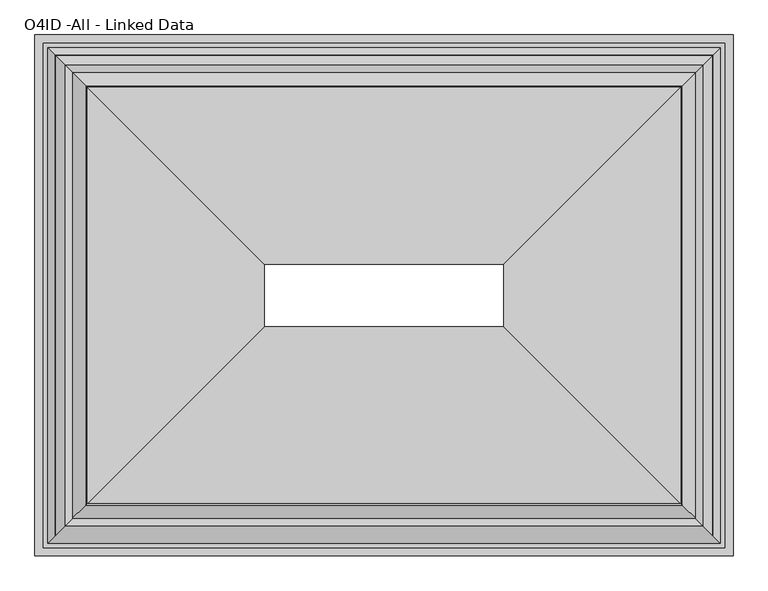
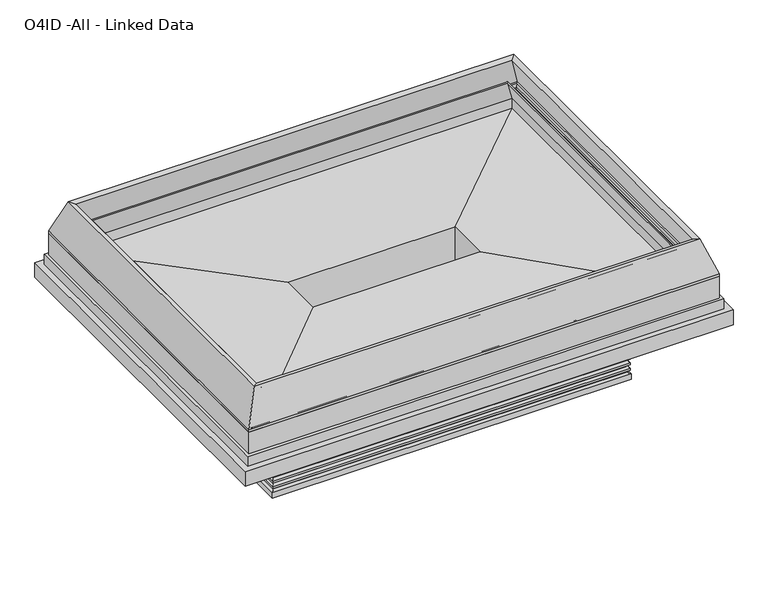
"""IFC4 building model written with IfcOpenShell, lengths in millimetres: proxy geometry, O4ID -All - Linked Data."""

from ifc_helpers import new_model, si_unit, point, frame, frame_2d, origin, origin_with_axes, place, context, project, spatial, polyline, circle_curve, ellipse_curve, trimmed, segment, composite_curve, outline, extrude, faceted_brep, source, transform, mapped, element, save
from ifc_brep_helpers import plane_surface, cylinder_surface, revolved_surface, advanced_brep


def o4id_all_linked_data_88e93f70(model_context):
    return source(origin(), model_context, "Body", "SolidModel", [
        advanced_brep(
        [(407.5864212, -2019.5725061, 52.2515752), (404.0973241, -2023.0616032, 41.0863151), (2275.6026759, -2023.0616032, 41.0863151), (2272.1135788, -2019.5725061, 52.2515752), (2282.7507741, -2030.2097014, 50.0937524), (396.9492259, -2030.2097014, 50.0937524), (394.9553259, -2032.2036014, 62.7937524), (394.9553259, -2032.2036014, 50.0937524), (2284.7446741, -2032.2036014, 50.0937524), (2284.7446741, -2032.2036014, 62.7937524), (2275.6026759, -2023.0616032, 72.0584982), (404.0973241, -2023.0616032, 72.0584982), (2272.1135788, -2019.5725061, 83.2237583), (407.5864212, -2019.5725061, 83.2237583), (2282.7507741, -2030.2097014, 81.0659355), (396.9492259, -2030.2097014, 81.0659355), (394.9553259, -2032.2036014, 93.7659355), (394.9553259, -2032.2036014, 81.0659355), (2284.7446741, -2032.2036014, 81.0659355), (2284.7446741, -2032.2036014, 93.7659355), (2275.6026759, -2023.0616032, 103.0306813), (404.0973241, -2023.0616032, 103.0306813), (2272.1135788, -2019.5725061, 114.0694894), (407.5864212, -2019.5725061, 114.0694894), (2282.7507741, -2030.2097014, 112.0383055), (396.9492259, -2030.2097014, 112.0383055), (394.9553259, -2032.2036014, 124.7383055), (394.9553259, -2032.2036014, 112.0383055), (2284.7446741, -2032.2036014, 112.0383055), (2284.7446741, -2032.2036014, 124.7383055), (2272.1135788, -2019.5725061, 137.4381186), (407.5864212, -2019.5725061, 137.4381186), (2272.1135788, -2019.5725061, 146.05), (407.5864212, -2019.5725061, 146.05), (417.6946779, -2009.4642494, 0.0), (417.6946779, -2009.4642494, 146.05), (2262.0053221, -2009.4642494, 146.05), (2262.0053221, -2009.4642494, 0.0), (392.0670212, -2035.0919061, 31.4790022), (392.0670212, -2035.0919061, 0.0), (2287.6329788, -2035.0919061, 0.0), (2287.6329788, -2035.0919061, 31.4790022), (2275.6026759, -805.6062514, 41.0863151), (2272.1135788, -809.0953485, 52.2515752), (2282.7507741, -798.4581532, 50.0937524), (2284.7446741, -796.4642532, 50.0937524), (2284.7446741, -796.4642532, 62.7937524), (2275.6026759, -805.6062514, 72.0584982), (2272.1135788, -809.0953485, 83.2237583), (2282.7507741, -798.4581532, 81.0659355), (2284.7446741, -796.4642532, 81.0659355), (2284.7446741, -796.4642532, 93.7659355), (2275.6026759, -805.6062514, 103.0306813), (2272.1135788, -809.0953485, 114.0694894), (2282.7507741, -798.4581532, 112.0383055), (2284.7446741, -796.4642532, 112.0383055), (2284.7446741, -796.4642532, 124.7383055), (2272.1135788, -809.0953485, 137.4381186), (2272.1135788, -809.0953485, 146.05), (2262.0053221, -819.2036052, 146.05), (2262.0053221, -819.2036052, 0.0), (2287.6329788, -793.5759485, 0.0), (2287.6329788, -793.5759485, 31.4790022), (404.0973241, -805.6062514, 41.0863151), (407.5864212, -809.0953485, 52.2515752), (396.9492259, -798.4581532, 50.0937524), (394.9553259, -796.4642532, 50.0937524), (394.9553259, -796.4642532, 62.7937524), (404.0973241, -805.6062514, 72.0584982), (407.5864212, -809.0953485, 83.2237583), (396.9492259, -798.4581532, 81.0659355), (394.9553259, -796.4642532, 81.0659355), (394.9553259, -796.4642532, 93.7659355), (404.0973241, -805.6062514, 103.0306813), (407.5864212, -809.0953485, 114.0694894), (396.9492259, -798.4581532, 112.0383055), (394.9553259, -796.4642532, 112.0383055), (394.9553259, -796.4642532, 124.7383055), (407.5864212, -809.0953485, 137.4381186), (407.5864212, -809.0953485, 146.05), (417.6946779, -819.2036052, 146.05), (417.6946779, -819.2036052, 0.0), (392.0670212, -793.5759485, 0.0), (392.0670212, -793.5759485, 31.4790022)],
        [
            (0, 1),
            (1, 2),
            (2, 3),
            (3, 0),
            (3, 4),
            (4, 5),
            (5, 0),
            (6, 7),
            (7, 8),
            (8, 9),
            (9, 6),
            (9, 10, ellipse_curve(frame((2287.9365131, -2035.3954404, 75.0861144), z_axis=(0.7071067811865475, 0.7071067811865475, 0.0), x_axis=(0.7071067811865476, -0.7071067811865474, 0.0)), 17.9605122, 12.7)),
            (10, 11),
            (11, 6, ellipse_curve(frame((391.7634869, -2035.3954404, 75.0861144), z_axis=(-0.7071067811865475, 0.7071067811865475, 0.0), x_axis=(0.7071067811865476, 0.7071067811865474, 0.0)), 17.9605122, 12.7)),
            (10, 12),
            (12, 13),
            (13, 11),
            (12, 14),
            (14, 15),
            (15, 13),
            (16, 17),
            (17, 18),
            (18, 19),
            (19, 16),
            (19, 20, ellipse_curve(frame((2287.9365131, -2035.3954404, 106.0582975), z_axis=(0.7071067811865475, 0.7071067811865475, 0.0), x_axis=(0.7071067811865476, -0.7071067811865474, 0.0)), 17.9605122, 12.7)),
            (20, 21),
            (21, 16, ellipse_curve(frame((391.7634869, -2035.3954404, 106.0582975), z_axis=(-0.7071067811865475, 0.7071067811865475, 0.0), x_axis=(0.7071067811865476, 0.7071067811865474, 0.0)), 17.9605122, 12.7)),
            (20, 22),
            (22, 23),
            (23, 21),
            (22, 24),
            (24, 25),
            (25, 23),
            (26, 27),
            (27, 28),
            (28, 29),
            (29, 26),
            (29, 30, ellipse_curve(frame((2284.8135788, -2032.2725061, 137.4381186), z_axis=(0.7071067811865475, 0.7071067811865475, 0.0), x_axis=(0.7071067811865476, -0.7071067811865474, 0.0)), 17.9605122, 12.7)),
            (30, 31),
            (31, 26, ellipse_curve(frame((394.8864212, -2032.2725061, 137.4381186), z_axis=(-0.7071067811865475, 0.7071067811865475, 0.0), x_axis=(0.7071067811865476, 0.7071067811865474, 0.0)), 17.9605122, 12.7)),
            (30, 32),
            (32, 33),
            (33, 31),
            (34, 35),
            (35, 36),
            (36, 37),
            (37, 34),
            (38, 39),
            (39, 40),
            (40, 41),
            (41, 38),
            (1, 38, ellipse_curve(frame((393.1207685, -2034.0381588, 42.4953422), z_axis=(-0.7071067811865475, 0.7071067811865475, 0.0), x_axis=(0.7071067811865476, 0.7071067811865474, 0.0)), 15.6505674, 11.0666223)),
            (41, 2, ellipse_curve(frame((2286.5792315, -2034.0381588, 42.4953422), z_axis=(0.7071067811865475, 0.7071067811865475, 0.0), x_axis=(0.7071067811865476, -0.7071067811865474, 0.0)), 15.6505674, 11.0666223)),
            (2, 42),
            (42, 43),
            (43, 3),
            (43, 44),
            (44, 4),
            (8, 45),
            (45, 46),
            (46, 9),
            (46, 47, ellipse_curve(frame((2287.9365131, -793.2724142, 75.0861144), z_axis=(-0.7071067811865475, 0.7071067811865475, 0.0), x_axis=(0.7071067811865474, 0.7071067811865476, 0.0)), 17.9605122, 12.7)),
            (47, 10),
            (47, 48),
            (48, 12),
            (48, 49),
            (49, 14),
            (18, 50),
            (50, 51),
            (51, 19),
            (51, 52, ellipse_curve(frame((2287.9365131, -793.2724142, 106.0582975), z_axis=(-0.7071067811865475, 0.7071067811865475, 0.0), x_axis=(0.7071067811865474, 0.7071067811865476, 0.0)), 17.9605122, 12.7)),
            (52, 20),
            (52, 53),
            (53, 22),
            (53, 54),
            (54, 24),
            (28, 55),
            (55, 56),
            (56, 29),
            (56, 57, ellipse_curve(frame((2284.8135788, -796.3953485, 137.4381186), z_axis=(-0.7071067811865475, 0.7071067811865475, 0.0), x_axis=(0.7071067811865474, 0.7071067811865476, 0.0)), 17.9605122, 12.7)),
            (57, 30),
            (57, 58),
            (58, 32),
            (36, 59),
            (59, 60),
            (60, 37),
            (40, 61),
            (61, 62),
            (62, 41),
            (62, 42, ellipse_curve(frame((2286.5792315, -794.6296958, 42.4953422), z_axis=(-0.7071067811865475, 0.7071067811865475, 0.0), x_axis=(0.7071067811865474, 0.7071067811865476, 0.0)), 15.6505674, 11.0666223)),
            (42, 63),
            (63, 64),
            (64, 43),
            (64, 65),
            (65, 44),
            (45, 66),
            (66, 67),
            (67, 46),
            (67, 68, ellipse_curve(frame((391.7634869, -793.2724142, 75.0861144), z_axis=(-0.7071067811865475, -0.7071067811865475, 0.0), x_axis=(-0.7071067811865476, 0.7071067811865474, 0.0)), 17.9605122, 12.7)),
            (68, 47),
            (68, 69),
            (69, 48),
            (69, 70),
            (70, 49),
            (50, 71),
            (71, 72),
            (72, 51),
            (72, 73, ellipse_curve(frame((391.7634869, -793.2724142, 106.0582975), z_axis=(-0.7071067811865475, -0.7071067811865475, 0.0), x_axis=(-0.7071067811865476, 0.7071067811865474, 0.0)), 17.9605122, 12.7)),
            (73, 52),
            (73, 74),
            (74, 53),
            (74, 75),
            (75, 54),
            (55, 76),
            (76, 77),
            (77, 56),
            (77, 78, ellipse_curve(frame((394.8864212, -796.3953485, 137.4381186), z_axis=(-0.7071067811865475, -0.7071067811865475, 0.0), x_axis=(-0.7071067811865476, 0.7071067811865474, 0.0)), 17.9605122, 12.7)),
            (78, 57),
            (78, 79),
            (79, 58),
            (59, 80),
            (80, 81),
            (81, 60),
            (61, 82),
            (82, 83),
            (83, 62),
            (83, 63, ellipse_curve(frame((393.1207685, -794.6296958, 42.4953422), z_axis=(-0.7071067811865475, -0.7071067811865475, 0.0), x_axis=(-0.7071067811865476, 0.7071067811865474, 0.0)), 15.6505674, 11.0666223)),
            (0, 64),
            (63, 1),
            (5, 65),
            (7, 66),
            (6, 67),
            (11, 68),
            (13, 69),
            (15, 70),
            (17, 71),
            (16, 72),
            (21, 73),
            (23, 74),
            (25, 75),
            (27, 76),
            (26, 77),
            (31, 78),
            (33, 79),
            (35, 80),
            (34, 81),
            (39, 82),
            (38, 83),
        ],
        [
            plane_surface(frame((404.0973241, -2023.0616032, 41.0863151), z_axis=(0.0, -0.9544811145040373, 0.2982713564107874), x_axis=(1.0, 0.0, 0.0))),
            plane_surface(frame((407.5864212, -2019.5725061, 52.2515752), z_axis=(0.0, 0.19880707887698196, -0.9800386448443763), x_axis=(1.0, 0.0, 0.0))),
            plane_surface(frame((394.9553259, -2032.2036014, 50.0937524), z_axis=(0.0, -1.0, 0.0), x_axis=(1.0, 0.0, 0.0))),
            revolved_surface(polyline([(2300.636513070204, -2022.6954404, 75.0861144), (379.0634869297963, -2022.6954404, 75.0861144)]), (0.0, -2035.3954404, 75.0861144), (1.0, 0.0, 0.0)),
            plane_surface(frame((404.0973241, -2023.0616032, 72.0584982), z_axis=(0.0, -0.9544811145041052, 0.2982713564105698), x_axis=(1.0, 0.0, 0.0))),
            plane_surface(frame((407.5864212, -2019.5725061, 83.2237583), z_axis=(0.0, 0.1988070788769928, -0.9800386448443741), x_axis=(1.0, 0.0, 0.0))),
            plane_surface(frame((394.9553259, -2032.2036014, 81.0659355), z_axis=(0.0, -1.0, 0.0), x_axis=(1.0, 0.0, 0.0))),
            revolved_surface(polyline([(2300.636513070204, -2022.6954404, 106.0582975), (379.0634869297963, -2022.6954404, 106.0582975)]), (0.0, -2035.3954404, 106.0582975), (1.0, 0.0, 0.0)),
            plane_surface(frame((404.0973241, -2023.0616032, 103.0306813), z_axis=(0.0, -0.9535043111328932, 0.30137937661855163), x_axis=(1.0, 0.0, 0.0))),
            plane_surface(frame((407.5864212, -2019.5725061, 114.0694894), z_axis=(0.0, 0.1875622155180167, -0.9822527247658686), x_axis=(1.0, 0.0, 0.0))),
            plane_surface(frame((394.9553259, -2032.2036014, 112.0383055), z_axis=(0.0, -1.0, 0.0), x_axis=(1.0, 0.0, 0.0))),
            revolved_surface(polyline([(2297.513578770204, -2019.5725061, 137.4381186), (382.1864212297963, -2019.5725061, 137.4381186)]), (0.0, -2032.2725061, 137.4381186), (1.0, 0.0, 0.0)),
            plane_surface(frame((407.5864212, -2019.5725061, 137.4381186), z_axis=(0.0, -1.0, 0.0), x_axis=(1.0, 0.0, 0.0))),
            plane_surface(frame((417.6946779, -2009.4642494, 146.05), z_axis=(0.0, 1.0, 0.0), x_axis=(1.0, 0.0, 0.0))),
            plane_surface(frame((392.0670212, -2035.0919061, 0.0), z_axis=(0.0, -1.0, 0.0), x_axis=(1.0, 0.0, 0.0))),
            revolved_surface(polyline([(2297.645853837957, -2022.9715365, 42.4953422), (382.05414616204285, -2022.9715365, 42.4953422)]), (0.0, -2034.0381588, 42.4953422), (1.0, 0.0, 0.0)),
            plane_surface(frame((2275.6026759, -2023.0616032, 41.0863151), z_axis=(0.9544811145040373, 0.0, 0.2982713564107874), x_axis=(0.0, 1.0, 0.0))),
            plane_surface(frame((2272.1135788, -2019.5725061, 52.2515752), z_axis=(-0.19880707887698196, 0.0, -0.9800386448443763), x_axis=(0.0, 1.0, 0.0))),
            plane_surface(frame((2284.7446741, -2032.2036014, 50.0937524), z_axis=(1.0, 0.0, 0.0), x_axis=(0.0, 1.0, 0.0))),
            revolved_surface(polyline([(2275.2365131, -780.5724142297963, 75.0861144), (2275.2365131, -2048.095440370204, 75.0861144)]), (2287.9365131, -2427.1589273, 75.0861144), (0.0, 1.0, 0.0)),
            plane_surface(frame((2275.6026759, -2023.0616032, 72.0584982), z_axis=(0.9544811145041052, 0.0, 0.2982713564105698), x_axis=(0.0, 1.0, 0.0))),
            plane_surface(frame((2272.1135788, -2019.5725061, 83.2237583), z_axis=(-0.1988070788769928, 0.0, -0.9800386448443741), x_axis=(0.0, 1.0, 0.0))),
            plane_surface(frame((2284.7446741, -2032.2036014, 81.0659355), z_axis=(1.0, 0.0, 0.0), x_axis=(0.0, 1.0, 0.0))),
            revolved_surface(polyline([(2275.2365131, -780.5724142297963, 106.0582975), (2275.2365131, -2048.095440370204, 106.0582975)]), (2287.9365131, -2427.1589273, 106.0582975), (0.0, 1.0, 0.0)),
            plane_surface(frame((2275.6026759, -2023.0616032, 103.0306813), z_axis=(0.9535043111328932, 0.0, 0.30137937661855163), x_axis=(0.0, 1.0, 0.0))),
            plane_surface(frame((2272.1135788, -2019.5725061, 114.0694894), z_axis=(-0.1875622155180167, 0.0, -0.9822527247658686), x_axis=(0.0, 1.0, 0.0))),
            plane_surface(frame((2284.7446741, -2032.2036014, 112.0383055), z_axis=(1.0, 0.0, 0.0), x_axis=(0.0, 1.0, 0.0))),
            revolved_surface(polyline([(2272.1135788, -783.6953485297963, 137.4381186), (2272.1135788, -2044.9725060702037, 137.4381186)]), (2284.8135788, -2427.1589273, 137.4381186), (0.0, 1.0, 0.0)),
            plane_surface(frame((2272.1135788, -2019.5725061, 137.4381186), z_axis=(1.0, 0.0, 0.0), x_axis=(0.0, 1.0, 0.0))),
            plane_surface(frame((2262.0053221, -2009.4642494, 146.05), z_axis=(-1.0, 0.0, 0.0), x_axis=(0.0, 1.0, 0.0))),
            plane_surface(frame((2287.6329788, -2035.0919061, 0.0), z_axis=(1.0, 0.0, 0.0), x_axis=(0.0, 1.0, 0.0))),
            revolved_surface(polyline([(2275.5126092, -783.5630734620429, 42.4953422), (2275.5126092, -2045.1047811379572, 42.4953422)]), (2286.5792315, -2427.1589273, 42.4953422), (0.0, 1.0, 0.0)),
            plane_surface(frame((2275.6026759, -805.6062514, 41.0863151), z_axis=(0.0, 0.9544811145040373, 0.2982713564107874), x_axis=(-1.0, 0.0, 0.0))),
            plane_surface(frame((2272.1135788, -809.0953485, 52.2515752), z_axis=(0.0, -0.19880707887698196, -0.9800386448443763), x_axis=(-1.0, 0.0, 0.0))),
            plane_surface(frame((2284.7446741, -796.4642532, 50.0937524), z_axis=(0.0, 1.0, 0.0), x_axis=(-1.0, 0.0, 0.0))),
            revolved_surface(polyline([(379.063486929796, -805.9724142, 75.0861144), (2300.636513070204, -805.9724142, 75.0861144)]), (2679.7, -793.2724142, 75.0861144), (-1.0, 0.0, 0.0)),
            plane_surface(frame((2275.6026759, -805.6062514, 72.0584982), z_axis=(0.0, 0.9544811145041052, 0.2982713564105698), x_axis=(-1.0, 0.0, 0.0))),
            plane_surface(frame((2272.1135788, -809.0953485, 83.2237583), z_axis=(0.0, -0.1988070788769928, -0.9800386448443741), x_axis=(-1.0, 0.0, 0.0))),
            plane_surface(frame((2284.7446741, -796.4642532, 81.0659355), z_axis=(0.0, 1.0, 0.0), x_axis=(-1.0, 0.0, 0.0))),
            revolved_surface(polyline([(379.063486929796, -805.9724142, 106.0582975), (2300.636513070204, -805.9724142, 106.0582975)]), (2679.7, -793.2724142, 106.0582975), (-1.0, 0.0, 0.0)),
            plane_surface(frame((2275.6026759, -805.6062514, 103.0306813), z_axis=(0.0, 0.9535043111328932, 0.30137937661855163), x_axis=(-1.0, 0.0, 0.0))),
            plane_surface(frame((2272.1135788, -809.0953485, 114.0694894), z_axis=(0.0, -0.1875622155180167, -0.9822527247658686), x_axis=(-1.0, 0.0, 0.0))),
            plane_surface(frame((2284.7446741, -796.4642532, 112.0383055), z_axis=(0.0, 1.0, 0.0), x_axis=(-1.0, 0.0, 0.0))),
            revolved_surface(polyline([(382.186421229796, -809.0953485, 137.4381186), (2297.513578770204, -809.0953485, 137.4381186)]), (2679.7, -796.3953485, 137.4381186), (-1.0, 0.0, 0.0)),
            plane_surface(frame((2272.1135788, -809.0953485, 137.4381186), z_axis=(0.0, 1.0, 0.0), x_axis=(-1.0, 0.0, 0.0))),
            plane_surface(frame((2262.0053221, -819.2036052, 146.05), z_axis=(0.0, -1.0, 0.0), x_axis=(-1.0, 0.0, 0.0))),
            plane_surface(frame((2287.6329788, -793.5759485, 0.0), z_axis=(0.0, 1.0, 0.0), x_axis=(-1.0, 0.0, 0.0))),
            revolved_surface(polyline([(382.0541461620428, -805.6963181, 42.4953422), (2297.645853837957, -805.6963181, 42.4953422)]), (2679.7, -794.6296958, 42.4953422), (-1.0, 0.0, 0.0)),
            plane_surface(frame((404.0973241, -805.6062514, 41.0863151), z_axis=(-0.9544811145040373, 0.0, 0.2982713564107874), x_axis=(0.0, -1.0, 0.0))),
            plane_surface(frame((407.5864212, -809.0953485, 52.2515752), z_axis=(0.19880707887698196, 0.0, -0.9800386448443763), x_axis=(0.0, -1.0, 0.0))),
            plane_surface(frame((396.9492259, -798.4581532, 50.0937524), z_axis=(0.0, 0.0, -1.0), x_axis=(0.0, -1.0, 0.0))),
            plane_surface(frame((394.9553259, -796.4642532, 50.0937524), z_axis=(-1.0, 0.0, 0.0), x_axis=(0.0, -1.0, 0.0))),
            revolved_surface(polyline([(404.46348689999996, -2048.095440370204, 75.0861144), (404.46348689999996, -780.5724142297963, 75.0861144)]), (391.7634869, -401.5089273, 75.0861144), (0.0, -1.0, 0.0)),
            plane_surface(frame((404.0973241, -805.6062514, 72.0584982), z_axis=(-0.9544811145041052, 0.0, 0.2982713564105698), x_axis=(0.0, -1.0, 0.0))),
            plane_surface(frame((407.5864212, -809.0953485, 83.2237583), z_axis=(0.1988070788769928, 0.0, -0.9800386448443741), x_axis=(0.0, -1.0, 0.0))),
            plane_surface(frame((396.9492259, -798.4581532, 81.0659355), z_axis=(0.0, 0.0, -1.0), x_axis=(0.0, -1.0, 0.0))),
            plane_surface(frame((394.9553259, -796.4642532, 81.0659355), z_axis=(-1.0, 0.0, 0.0), x_axis=(0.0, -1.0, 0.0))),
            revolved_surface(polyline([(404.46348689999996, -2048.095440370204, 106.0582975), (404.46348689999996, -780.5724142297963, 106.0582975)]), (391.7634869, -401.5089273, 106.0582975), (0.0, -1.0, 0.0)),
            plane_surface(frame((404.0973241, -805.6062514, 103.0306813), z_axis=(-0.9535043111328932, 0.0, 0.30137937661855163), x_axis=(0.0, -1.0, 0.0))),
            plane_surface(frame((407.5864212, -809.0953485, 114.0694894), z_axis=(0.1875622155180167, 0.0, -0.9822527247658686), x_axis=(0.0, -1.0, 0.0))),
            plane_surface(frame((396.9492259, -798.4581532, 112.0383055), z_axis=(0.0, 0.0, -1.0), x_axis=(0.0, -1.0, 0.0))),
            plane_surface(frame((394.9553259, -796.4642532, 112.0383055), z_axis=(-1.0, 0.0, 0.0), x_axis=(0.0, -1.0, 0.0))),
            revolved_surface(polyline([(407.58642119999996, -2044.972506070204, 137.4381186), (407.58642119999996, -783.6953485297963, 137.4381186)]), (394.8864212, -401.5089273, 137.4381186), (0.0, -1.0, 0.0)),
            plane_surface(frame((407.5864212, -809.0953485, 137.4381186), z_axis=(-1.0, 0.0, 0.0), x_axis=(0.0, -1.0, 0.0))),
            plane_surface(frame((407.5864212, -809.0953485, 146.05), z_axis=(0.0, 0.0, 1.0), x_axis=(0.0, -1.0, 0.0))),
            plane_surface(frame((417.6946779, -819.2036052, 146.05), z_axis=(1.0, 0.0, 0.0), x_axis=(0.0, -1.0, 0.0))),
            plane_surface(frame((417.6946779, -819.2036052, 0.0), z_axis=(0.0, 0.0, -1.0), x_axis=(0.0, -1.0, 0.0))),
            plane_surface(frame((392.0670212, -793.5759485, 0.0), z_axis=(-1.0, 0.0, 0.0), x_axis=(0.0, -1.0, 0.0))),
            revolved_surface(polyline([(404.1873908, -2045.1047811379572, 42.4953422), (404.1873908, -783.5630734620429, 42.4953422)]), (393.1207685, -401.5089273, 42.4953422), (0.0, -1.0, 0.0)),
        ],
        [
            (0, [[1, 2, 3, 4]]),
            (1, [[-4, 5, 6, 7]]),
            (2, [[8, 9, 10, 11]]),
            (3, [[-11, 12, 13, 14]]),
            (4, [[-13, 15, 16, 17]]),
            (5, [[-16, 18, 19, 20]]),
            (6, [[21, 22, 23, 24]]),
            (7, [[-24, 25, 26, 27]]),
            (8, [[-26, 28, 29, 30]]),
            (9, [[-29, 31, 32, 33]]),
            (10, [[34, 35, 36, 37]]),
            (11, [[-37, 38, 39, 40]]),
            (12, [[-39, 41, 42, 43]]),
            (13, [[44, 45, 46, 47]]),
            (14, [[48, 49, 50, 51]]),
            (15, [[-2, 52, -51, 53]]),
            (16, [[-3, 54, 55, 56]]),
            (17, [[-5, -56, 57, 58]]),
            (18, [[-10, 59, 60, 61]]),
            (19, [[-12, -61, 62, 63]]),
            (20, [[-15, -63, 64, 65]]),
            (21, [[-18, -65, 66, 67]]),
            (22, [[-23, 68, 69, 70]]),
            (23, [[-25, -70, 71, 72]]),
            (24, [[-28, -72, 73, 74]]),
            (25, [[-31, -74, 75, 76]]),
            (26, [[-36, 77, 78, 79]]),
            (27, [[-38, -79, 80, 81]]),
            (28, [[-41, -81, 82, 83]]),
            (29, [[-46, 84, 85, 86]]),
            (30, [[-50, 87, 88, 89]]),
            (31, [[-53, -89, 90, -54]]),
            (32, [[-55, 91, 92, 93]]),
            (33, [[-57, -93, 94, 95]]),
            (34, [[-60, 96, 97, 98]]),
            (35, [[-62, -98, 99, 100]]),
            (36, [[-64, -100, 101, 102]]),
            (37, [[-66, -102, 103, 104]]),
            (38, [[-69, 105, 106, 107]]),
            (39, [[-71, -107, 108, 109]]),
            (40, [[-73, -109, 110, 111]]),
            (41, [[-75, -111, 112, 113]]),
            (42, [[-78, 114, 115, 116]]),
            (43, [[-80, -116, 117, 118]]),
            (44, [[-82, -118, 119, 120]]),
            (45, [[-85, 121, 122, 123]]),
            (46, [[-88, 124, 125, 126]]),
            (47, [[-90, -126, 127, -91]]),
            (48, [[-1, 128, -92, 129]]),
            (49, [[-7, 130, -94, -128]]),
            (50, [[-9, 131, -96, -59], [-6, -58, -95, -130]]),
            (51, [[-8, 132, -97, -131]]),
            (52, [[-14, 133, -99, -132]]),
            (53, [[-17, 134, -101, -133]]),
            (54, [[-20, 135, -103, -134]]),
            (55, [[-22, 136, -105, -68], [-19, -67, -104, -135]]),
            (56, [[-21, 137, -106, -136]]),
            (57, [[-27, 138, -108, -137]]),
            (58, [[-30, 139, -110, -138]]),
            (59, [[-33, 140, -112, -139]]),
            (60, [[-35, 141, -114, -77], [-32, -76, -113, -140]]),
            (61, [[-34, 142, -115, -141]]),
            (62, [[-40, 143, -117, -142]]),
            (63, [[-43, 144, -119, -143]]),
            (64, [[-42, -83, -120, -144], [-45, 145, -121, -84]]),
            (65, [[-44, 146, -122, -145]]),
            (66, [[-49, 147, -124, -87], [-47, -86, -123, -146]]),
            (67, [[-48, 148, -125, -147]]),
            (68, [[-52, -129, -127, -148]]),
        ],
    ),
        faceted_brep([(188.6710999, -2238.4878274, 835.9605394), (121.4116342, -2305.7472931, 651.1666761), (121.4116342, -522.9205615, 651.1666761), (188.6710999, -590.1800272, 835.9605394), (163.3111453, -2263.847782, 845.190808), (163.3111453, -564.8200726, 845.190808), (97.5838499, -2329.5750774, 664.6065482), (97.5838499, -499.0927772, 664.6065482), (97.5838499, -2329.5750774, 651.1666761), (97.5838499, -499.0927772, 651.1666761), (2558.2883658, -522.9205615, 651.1666761), (2491.0289001, -590.1800272, 835.9605394), (2516.3888547, -564.8200726, 845.190808), (2582.1161501, -499.0927772, 664.6065482), (2582.1161501, -499.0927772, 651.1666761), (2558.2883658, -2305.7472931, 651.1666761), (2491.0289001, -2238.4878274, 835.9605394), (2516.3888547, -2263.847782, 845.190808), (2582.1161501, -2329.5750774, 664.6065482), (2582.1161501, -2329.5750774, 651.1666761)], [[[0, 1, 2, 3]], [[4, 0, 3, 5]], [[6, 4, 5, 7]], [[8, 6, 7, 9]], [[3, 2, 10, 11]], [[5, 3, 11, 12]], [[7, 5, 12, 13]], [[9, 7, 13, 14]], [[11, 10, 15, 16]], [[12, 11, 16, 17]], [[13, 12, 17, 18]], [[14, 13, 18, 19]], [[16, 15, 1, 0]], [[17, 16, 0, 4]], [[18, 17, 4, 6]], [[19, 18, 6, 8]], [[9, 14, 19, 8], [1, 15, 10, 2]]]),
        advanced_brep(
        [(182.292374, -2244.8665533, 622.6991544), (238.6565792, -2188.5023481, 761.7268557), (238.6565792, -640.1655065, 761.7268557), (182.292374, -583.8013013, 622.6991544), (186.7059518, -2240.4529755, 620.9098146), (186.7059518, -2240.4529755, 622.6991544), (186.7059518, -588.2148791, 622.6991544), (186.7059518, -588.2148791, 620.9098146), (243.070157, -2184.0887703, 759.9375159), (243.070157, -644.5790843, 759.9375159), (2441.0434208, -640.1655065, 761.7268557), (2497.407626, -583.8013013, 622.6991544), (2492.9940482, -588.2148791, 622.6991544), (2492.9940482, -588.2148791, 620.9098146), (2436.629843, -644.5790843, 759.9375159), (2441.0434208, -2188.5023481, 761.7268557), (2497.407626, -2244.8665533, 622.6991544), (2492.9940482, -2240.4529755, 622.6991544), (2492.9940482, -2240.4529755, 620.9098146), (2436.629843, -2184.0887703, 759.9375159)],
        [
            (0, 1),
            (1, 2),
            (2, 3),
            (3, 0),
            (4, 5),
            (5, 6),
            (6, 7),
            (7, 4),
            (8, 4),
            (7, 9),
            (9, 8),
            (1, 8, ellipse_curve(frame((240.8633681, -2186.2955592, 760.8321858), z_axis=(-0.7071067811865475, 0.7071067811865475, 0.0), x_axis=(-0.7071067811865474, -0.7071067811865476, 0.0)), 3.367596, 2.38125)),
            (9, 2, ellipse_curve(frame((240.8633681, -642.3722954, 760.8321858), z_axis=(-0.7071067811865475, -0.7071067811865475, 0.0), x_axis=(0.7071067811865474, -0.7071067811865476, 0.0)), 3.367596, 2.38125)),
            (2, 10),
            (10, 11),
            (11, 3),
            (6, 12),
            (12, 13),
            (13, 7),
            (13, 14),
            (14, 9),
            (14, 10, ellipse_curve(frame((2438.8366319, -642.3722954, 760.8321858), z_axis=(-0.7071067811865475, 0.7071067811865475, 0.0), x_axis=(-0.7071067811865476, -0.7071067811865474, 0.0)), 3.367596, 2.38125)),
            (10, 15),
            (15, 16),
            (16, 11),
            (12, 17),
            (17, 18),
            (18, 13),
            (18, 19),
            (19, 14),
            (19, 15, ellipse_curve(frame((2438.8366319, -2186.2955592, 760.8321858), z_axis=(0.7071067811865475, 0.7071067811865475, 0.0), x_axis=(-0.7071067811865474, 0.7071067811865476, 0.0)), 3.367596, 2.38125)),
            (15, 1),
            (0, 16),
            (5, 17),
            (4, 18),
            (8, 19),
        ],
        [
            plane_surface(frame((238.6565792, -2188.5023481, 761.7268557), z_axis=(-0.9267354998635696, 0.0, 0.37571440389293004), x_axis=(0.0, 1.0, 0.0))),
            plane_surface(frame((186.7059518, -2240.4529755, 622.6991544), z_axis=(-1.0, 0.0, 0.0), x_axis=(0.0, 1.0, 0.0))),
            plane_surface(frame((186.7059518, -2240.4529755, 620.9098146), z_axis=(0.926735499863471, 0.0, -0.37571440389317323), x_axis=(0.0, 1.0, 0.0))),
            cylinder_surface(frame((240.8633681, -2374.82165, 760.8321858), z_axis=(0.0, -1.0, 0.0), x_axis=(-1.0, 0.0, 0.0)), 2.38125),
            plane_surface(frame((238.6565792, -640.1655065, 761.7268557), z_axis=(0.0, 0.9267354998635696, 0.37571440389293004), x_axis=(1.0, 0.0, 0.0))),
            plane_surface(frame((186.7059518, -588.2148791, 622.6991544), z_axis=(0.0, 1.0, 0.0), x_axis=(1.0, 0.0, 0.0))),
            plane_surface(frame((186.7059518, -588.2148791, 620.9098146), z_axis=(0.0, -0.926735499863471, -0.37571440389317323), x_axis=(1.0, 0.0, 0.0))),
            cylinder_surface(frame((52.3372773, -642.3722954, 760.8321858), z_axis=(-1.0, 0.0, 0.0), x_axis=(0.0, 1.0, 0.0)), 2.38125),
            plane_surface(frame((2441.0434208, -640.1655065, 761.7268557), z_axis=(0.9267354998635696, 0.0, 0.37571440389293004), x_axis=(0.0, -1.0, 0.0))),
            plane_surface(frame((2492.9940482, -588.2148791, 622.6991544), z_axis=(1.0, 0.0, 0.0), x_axis=(0.0, -1.0, 0.0))),
            plane_surface(frame((2492.9940482, -588.2148791, 620.9098146), z_axis=(-0.926735499863471, 0.0, -0.37571440389317323), x_axis=(0.0, -1.0, 0.0))),
            cylinder_surface(frame((2438.8366319, -453.8462046, 760.8321858), z_axis=(0.0, 1.0, 0.0), x_axis=(1.0, 0.0, 0.0)), 2.38125),
            plane_surface(frame((2441.0434208, -2188.5023481, 761.7268557), z_axis=(0.0, -0.9267354998635696, 0.37571440389293004), x_axis=(-1.0, 0.0, 0.0))),
            plane_surface(frame((2497.407626, -2244.8665533, 622.6991544), z_axis=(0.0, 0.0, -1.0), x_axis=(-1.0, 0.0, 0.0))),
            plane_surface(frame((2492.9940482, -2240.4529755, 622.6991544), z_axis=(0.0, -1.0, 0.0), x_axis=(-1.0, 0.0, 0.0))),
            plane_surface(frame((2492.9940482, -2240.4529755, 620.9098146), z_axis=(0.0, 0.926735499863471, -0.37571440389317323), x_axis=(-1.0, 0.0, 0.0))),
            cylinder_surface(frame((2627.3627227, -2186.2955592, 760.8321858), z_axis=(1.0, 0.0, 0.0), x_axis=(0.0, -1.0, 0.0)), 2.38125),
        ],
        [
            (0, [[1, 2, 3, 4]]),
            (1, [[5, 6, 7, 8]]),
            (2, [[9, -8, 10, 11]]),
            (3, [[12, -11, 13, -2]]),
            (4, [[-3, 14, 15, 16]]),
            (5, [[-7, 17, 18, 19]]),
            (6, [[-10, -19, 20, 21]]),
            (7, [[-13, -21, 22, -14]]),
            (8, [[-15, 23, 24, 25]]),
            (9, [[-18, 26, 27, 28]]),
            (10, [[-20, -28, 29, 30]]),
            (11, [[-22, -30, 31, -23]]),
            (12, [[-24, 32, -1, 33]]),
            (13, [[-16, -25, -33, -4], [34, -26, -17, -6]]),
            (14, [[-27, -34, -5, 35]]),
            (15, [[-29, -35, -9, 36]]),
            (16, [[-31, -36, -12, -32]]),
        ],
    ),
        faceted_brep([(82.0232044, -2345.1357229, 475.7067395), (82.0232044, -2345.1357229, 409.2323256), (82.0232044, -483.5321317, 409.2323256), (82.0232044, -483.5321317, 475.7067395), (51.0667123, -2376.092215, 393.2587782), (51.0667123, -2376.092215, 475.7067395), (51.0667123, -452.5756396, 475.7067395), (51.0667123, -452.5756396, 393.2587782), (2597.6767956, -483.5321317, 409.2323256), (2597.6767956, -483.5321317, 475.7067395), (2628.6332877, -452.5756396, 475.7067395), (2628.6332877, -452.5756396, 393.2587782), (2597.6767956, -2345.1357229, 409.2323256), (2597.6767956, -2345.1357229, 475.7067395), (2628.6332877, -2376.092215, 475.7067395), (2628.6332877, -2376.092215, 393.2587782), (275.4091025, -2151.7498248, 236.1725455), (275.4091025, -676.9180298, 236.1725455), (293.0985889, -2134.0603384, 261.4357503), (293.0985889, -694.6075162, 261.4357503), (2404.2908975, -676.9180298, 236.1725455), (2386.6014111, -694.6075162, 261.4357503), (2404.2908975, -2151.7498248, 236.1725455), (2386.6014111, -2134.0603384, 261.4357503)], [[[0, 1, 2, 3]], [[4, 5, 6, 7]], [[3, 2, 8, 9]], [[7, 6, 10, 11]], [[9, 8, 12, 13]], [[11, 10, 14, 15]], [[13, 12, 1, 0]], [[5, 14, 10, 6], [3, 9, 13, 0]], [[15, 14, 5, 4]], [[16, 4, 7, 17]], [[18, 16, 17, 19]], [[1, 18, 19, 2]], [[17, 7, 11, 20]], [[19, 17, 20, 21]], [[2, 19, 21, 8]], [[20, 11, 15, 22]], [[21, 20, 22, 23]], [[8, 21, 23, 12]], [[22, 15, 4, 16]], [[23, 22, 16, 18]], [[12, 23, 18, 1]]]),
        advanced_brep(
        [(1781.9369938, -1529.3959211, 583.240307), (2492.9940482, -2240.4529755, 564.6206228), (2492.9940482, -588.2148791, 564.6206228), (1781.9369938, -1299.2719335, 583.240307), (1781.9369938, -1529.3959211, 330.5006237), (1781.9369938, -1299.2719335, 330.5006237), (2068.1539195, -1815.6128468, 315.9996591), (2068.1539195, -1013.0550078, 315.9996591), (2083.2358253, -1830.6947526, 301.7115379), (2083.2358253, -997.973102, 301.7115379), (2098.3165925, -1845.7755198, 315.9985806), (2098.3165925, -982.8923348, 315.9985806), (2396.487379, -2143.9463063, 326.7908623), (2396.487379, -684.7215483, 326.7908623), (2559.335508, -2306.7944353, 440.8183498), (2559.335508, -521.8734193, 440.8183498), (2559.335508, -2306.7944353, 529.6852408), (2559.335508, -521.8734193, 529.6852408), (2582.1161501, -2329.5750774, 651.1666761), (2582.1161501, -2329.5750774, 529.6852408), (2582.1161501, -499.0927772, 529.6852408), (2582.1161501, -499.0927772, 651.1666761), (2552.8142767, -2300.273204, 646.4576372), (2556.8651876, -2304.3241149, 651.1666761), (2556.8651876, -524.3437397, 651.1666761), (2552.8142767, -528.3946506, 646.4576372), (2552.7229493, -2300.1818766, 625.4643319), (2552.7229493, -528.485978, 625.4643319), (2545.7031366, -2293.1620639, 622.6991544), (2545.7031366, -535.5057907, 622.6991544), (2492.9940482, -2240.4529755, 622.6991544), (2492.9940482, -588.2148791, 622.6991544), (186.7059518, -588.2148791, 564.6206228), (897.7630062, -1299.2719335, 583.240307), (897.7630062, -1299.2719335, 330.5006237), (611.5460805, -1013.0550078, 315.9996591), (596.4641747, -997.973102, 301.7115379), (581.3834075, -982.8923348, 315.9985806), (283.212621, -684.7215483, 326.7908623), (120.364492, -521.8734193, 440.8183498), (120.364492, -521.8734193, 529.6852408), (97.5838499, -499.0927772, 529.6852408), (97.5838499, -499.0927772, 651.1666761), (122.8348124, -524.3437397, 651.1666761), (126.8857233, -528.3946506, 646.4576372), (126.9770507, -528.485978, 625.4643319), (133.9968634, -535.5057907, 622.6991544), (186.7059518, -588.2148791, 622.6991544), (186.7059518, -2240.4529755, 564.6206228), (897.7630062, -1529.3959211, 583.240307), (897.7630062, -1529.3959211, 330.5006237), (611.5460805, -1815.6128468, 315.9996591), (596.4641747, -1830.6947526, 301.7115379), (581.3834075, -1845.7755198, 315.9985806), (283.212621, -2143.9463063, 326.7908623), (120.364492, -2306.7944353, 440.8183498), (120.364492, -2306.7944353, 529.6852408), (97.5838499, -2329.5750774, 529.6852408), (97.5838499, -2329.5750774, 651.1666761), (122.8348124, -2304.3241149, 651.1666761), (126.8857233, -2300.273204, 646.4576372), (126.9770507, -2300.1818766, 625.4643319), (133.9968634, -2293.1620639, 622.6991544), (186.7059518, -2240.4529755, 622.6991544)],
        [
            (0, 1),
            (1, 2),
            (2, 3),
            (3, 0),
            (4, 0),
            (3, 5),
            (5, 4),
            (6, 4),
            (5, 7),
            (7, 6),
            (8, 6),
            (7, 9),
            (9, 8),
            (10, 8),
            (9, 11),
            (11, 10),
            (12, 10),
            (11, 13),
            (13, 12),
            (14, 12),
            (13, 15),
            (15, 14),
            (16, 14),
            (15, 17),
            (17, 16),
            (18, 19),
            (19, 20),
            (20, 21),
            (21, 18),
            (22, 23, ellipse_curve(frame((2557.5767767, -2305.035704, 646.4576372), z_axis=(0.7071067811865475, 0.7071067811865475, 0.0), x_axis=(0.7071067811865474, -0.7071067811865476, 0.0)), 6.7351921, 4.7625)),
            (23, 24),
            (24, 25, ellipse_curve(frame((2557.5767767, -523.6321506, 646.4576372), z_axis=(0.7071067811865475, -0.7071067811865475, 0.0), x_axis=(-0.7071067811865474, -0.7071067811865476, 0.0)), 6.7351921, 4.7625)),
            (25, 22),
            (26, 22),
            (25, 27),
            (27, 26),
            (28, 26),
            (27, 29),
            (29, 28),
            (1, 30),
            (30, 31),
            (31, 2),
            (2, 32),
            (32, 33),
            (33, 3),
            (33, 34),
            (34, 5),
            (34, 35),
            (35, 7),
            (35, 36),
            (36, 9),
            (36, 37),
            (37, 11),
            (37, 38),
            (38, 13),
            (38, 39),
            (39, 15),
            (39, 40),
            (40, 17),
            (20, 41),
            (41, 42),
            (42, 21),
            (24, 43),
            (43, 44, ellipse_curve(frame((122.1232233, -523.6321506, 646.4576372), z_axis=(0.7071067811865475, 0.7071067811865475, 0.0), x_axis=(0.7071067811865476, -0.7071067811865474, 0.0)), 6.7351921, 4.7625)),
            (44, 25),
            (44, 45),
            (45, 27),
            (45, 46),
            (46, 29),
            (31, 47),
            (47, 32),
            (32, 48),
            (48, 49),
            (49, 33),
            (49, 50),
            (50, 34),
            (50, 51),
            (51, 35),
            (51, 52),
            (52, 36),
            (52, 53),
            (53, 37),
            (53, 54),
            (54, 38),
            (54, 55),
            (55, 39),
            (55, 56),
            (56, 40),
            (41, 57),
            (57, 58),
            (58, 42),
            (43, 59),
            (59, 60, ellipse_curve(frame((122.1232233, -2305.035704, 646.4576372), z_axis=(-0.7071067811865475, 0.7071067811865475, 0.0), x_axis=(0.7071067811865474, 0.7071067811865476, 0.0)), 6.7351921, 4.7625)),
            (60, 44),
            (60, 61),
            (61, 45),
            (61, 62),
            (62, 46),
            (47, 63),
            (63, 48),
            (48, 1),
            (0, 49),
            (4, 50),
            (6, 51),
            (8, 52),
            (10, 53),
            (12, 54),
            (14, 55),
            (16, 56),
            (19, 57),
            (18, 58),
            (23, 59),
            (22, 60),
            (26, 61),
            (28, 62),
            (30, 63),
        ],
        [
            plane_surface(frame((2492.9940482, -2240.4529755, 564.6206228), z_axis=(0.026176948307951815, 0.0, 0.9996573249755553), x_axis=(0.0, 1.0, 0.0))),
            plane_surface(frame((1781.9369938, -1529.3959211, 583.240307), z_axis=(-1.0, 0.0, 0.0), x_axis=(0.0, 1.0, 0.0))),
            plane_surface(frame((1781.9369938, -1529.3959211, 330.5006237), z_axis=(-0.05059934604185507, 0.0, -0.9987190326513942), x_axis=(0.0, 1.0, 0.0))),
            plane_surface(frame((2068.1539195, -1815.6128468, 315.9996591), z_axis=(-0.6877446479107937, 0.0, -0.7259526839058166), x_axis=(0.0, 1.0, 0.0))),
            plane_surface(frame((2083.2358253, -1830.6947526, 301.7115379), z_axis=(0.6877446479108454, 0.0, -0.7259526839057676), x_axis=(0.0, 1.0, 0.0))),
            plane_surface(frame((2098.3165925, -1845.7755198, 315.9985806), z_axis=(0.036171280996439965, 0.0, -0.9993456050991952), x_axis=(0.0, 1.0, 0.0))),
            plane_surface(frame((2396.487379, -2143.9463063, 326.7908623), z_axis=(0.5735764363510389, 0.0, -0.8191520442889968), x_axis=(0.0, 1.0, 0.0))),
            plane_surface(frame((2559.335508, -2306.7944353, 440.8183498), z_axis=(1.0, 0.0, 0.0), x_axis=(0.0, 1.0, 0.0))),
            plane_surface(frame((2582.1161501, -2329.5750774, 529.6852408), z_axis=(1.0, 0.0, 0.0), x_axis=(0.0, 1.0, 0.0))),
            cylinder_surface(frame((2557.5767767, -2427.1589273, 646.4576372), z_axis=(0.0, -1.0, 0.0), x_axis=(-1.0, 0.0, 0.0)), 4.7625),
            plane_surface(frame((2552.8142767, -2300.273204, 646.4576372), z_axis=(-0.9999905375281687, 0.0, 0.004350270580597052), x_axis=(0.0, 1.0, 0.0))),
            plane_surface(frame((2552.7229493, -2300.1818766, 625.4643319), z_axis=(-0.366501192754731, 0.0, 0.9304175813629919), x_axis=(0.0, 1.0, 0.0))),
            plane_surface(frame((2492.9940482, -2240.4529755, 622.6991544), z_axis=(-1.0, 0.0, 0.0), x_axis=(0.0, 1.0, 0.0))),
            plane_surface(frame((2492.9940482, -588.2148791, 564.6206228), z_axis=(0.0, 0.026176948307951815, 0.9996573249755553), x_axis=(-1.0, 0.0, 0.0))),
            plane_surface(frame((1781.9369938, -1299.2719335, 583.240307), z_axis=(0.0, -1.0, 0.0), x_axis=(-1.0, 0.0, 0.0))),
            plane_surface(frame((1781.9369938, -1299.2719335, 330.5006237), z_axis=(0.0, -0.05059934604185507, -0.9987190326513942), x_axis=(-1.0, 0.0, 0.0))),
            plane_surface(frame((2068.1539195, -1013.0550078, 315.9996591), z_axis=(0.0, -0.6877446479107937, -0.7259526839058166), x_axis=(-1.0, 0.0, 0.0))),
            plane_surface(frame((2083.2358253, -997.973102, 301.7115379), z_axis=(0.0, 0.6877446479108454, -0.7259526839057676), x_axis=(-1.0, 0.0, 0.0))),
            plane_surface(frame((2098.3165925, -982.8923348, 315.9985806), z_axis=(0.0, 0.036171280996439965, -0.9993456050991952), x_axis=(-1.0, 0.0, 0.0))),
            plane_surface(frame((2396.487379, -684.7215483, 326.7908623), z_axis=(0.0, 0.5735764363510389, -0.8191520442889968), x_axis=(-1.0, 0.0, 0.0))),
            plane_surface(frame((2559.335508, -521.8734193, 440.8183498), z_axis=(0.0, 1.0, 0.0), x_axis=(-1.0, 0.0, 0.0))),
            plane_surface(frame((2582.1161501, -499.0927772, 529.6852408), z_axis=(0.0, 1.0, 0.0), x_axis=(-1.0, 0.0, 0.0))),
            cylinder_surface(frame((2679.7, -523.6321506, 646.4576372), z_axis=(1.0, 0.0, 0.0), x_axis=(0.0, -1.0, 0.0)), 4.7625),
            plane_surface(frame((2552.8142767, -528.3946506, 646.4576372), z_axis=(0.0, -0.9999905375281687, 0.004350270580597052), x_axis=(-1.0, 0.0, 0.0))),
            plane_surface(frame((2552.7229493, -528.485978, 625.4643319), z_axis=(0.0, -0.366501192754731, 0.9304175813629919), x_axis=(-1.0, 0.0, 0.0))),
            plane_surface(frame((2492.9940482, -588.2148791, 622.6991544), z_axis=(0.0, -1.0, 0.0), x_axis=(-1.0, 0.0, 0.0))),
            plane_surface(frame((186.7059518, -588.2148791, 564.6206228), z_axis=(-0.026176948307951815, 0.0, 0.9996573249755553), x_axis=(0.0, -1.0, 0.0))),
            plane_surface(frame((897.7630062, -1299.2719335, 583.240307), z_axis=(1.0, 0.0, 0.0), x_axis=(0.0, -1.0, 0.0))),
            plane_surface(frame((897.7630062, -1299.2719335, 330.5006237), z_axis=(0.05059934604185507, 0.0, -0.9987190326513942), x_axis=(0.0, -1.0, 0.0))),
            plane_surface(frame((611.5460805, -1013.0550078, 315.9996591), z_axis=(0.6877446479107937, 0.0, -0.7259526839058166), x_axis=(0.0, -1.0, 0.0))),
            plane_surface(frame((596.4641747, -997.973102, 301.7115379), z_axis=(-0.6877446479108454, 0.0, -0.7259526839057676), x_axis=(0.0, -1.0, 0.0))),
            plane_surface(frame((581.3834075, -982.8923348, 315.9985806), z_axis=(-0.036171280996439965, 0.0, -0.9993456050991952), x_axis=(0.0, -1.0, 0.0))),
            plane_surface(frame((283.212621, -684.7215483, 326.7908623), z_axis=(-0.5735764363510389, 0.0, -0.8191520442889968), x_axis=(0.0, -1.0, 0.0))),
            plane_surface(frame((120.364492, -521.8734193, 440.8183498), z_axis=(-1.0, 0.0, 0.0), x_axis=(0.0, -1.0, 0.0))),
            plane_surface(frame((97.5838499, -499.0927772, 529.6852408), z_axis=(-1.0, 0.0, 0.0), x_axis=(0.0, -1.0, 0.0))),
            cylinder_surface(frame((122.1232233, -401.5089273, 646.4576372), z_axis=(0.0, 1.0, 0.0), x_axis=(1.0, 0.0, 0.0)), 4.7625),
            plane_surface(frame((126.8857233, -528.3946506, 646.4576372), z_axis=(0.9999905375281687, 0.0, 0.004350270580597052), x_axis=(0.0, -1.0, 0.0))),
            plane_surface(frame((126.9770507, -528.485978, 625.4643319), z_axis=(0.366501192754731, 0.0, 0.9304175813629919), x_axis=(0.0, -1.0, 0.0))),
            plane_surface(frame((186.7059518, -588.2148791, 622.6991544), z_axis=(1.0, 0.0, 0.0), x_axis=(0.0, -1.0, 0.0))),
            plane_surface(frame((186.7059518, -2240.4529755, 564.6206228), z_axis=(0.0, -0.026176948307951815, 0.9996573249755553), x_axis=(1.0, 0.0, 0.0))),
            plane_surface(frame((897.7630062, -1529.3959211, 583.240307), z_axis=(0.0, 1.0, 0.0), x_axis=(1.0, 0.0, 0.0))),
            plane_surface(frame((897.7630062, -1529.3959211, 330.5006237), z_axis=(0.0, 0.05059934604185507, -0.9987190326513942), x_axis=(1.0, 0.0, 0.0))),
            plane_surface(frame((611.5460805, -1815.6128468, 315.9996591), z_axis=(0.0, 0.6877446479107937, -0.7259526839058166), x_axis=(1.0, 0.0, 0.0))),
            plane_surface(frame((596.4641747, -1830.6947526, 301.7115379), z_axis=(0.0, -0.6877446479108454, -0.7259526839057676), x_axis=(1.0, 0.0, 0.0))),
            plane_surface(frame((581.3834075, -1845.7755198, 315.9985806), z_axis=(0.0, -0.036171280996439965, -0.9993456050991952), x_axis=(1.0, 0.0, 0.0))),
            plane_surface(frame((283.212621, -2143.9463063, 326.7908623), z_axis=(0.0, -0.5735764363510389, -0.8191520442889968), x_axis=(1.0, 0.0, 0.0))),
            plane_surface(frame((120.364492, -2306.7944353, 440.8183498), z_axis=(0.0, -1.0, 0.0), x_axis=(1.0, 0.0, 0.0))),
            plane_surface(frame((120.364492, -2306.7944353, 529.6852408), z_axis=(0.0, 0.0, -1.0), x_axis=(1.0, 0.0, 0.0))),
            plane_surface(frame((97.5838499, -2329.5750774, 529.6852408), z_axis=(0.0, -1.0, 0.0), x_axis=(1.0, 0.0, 0.0))),
            plane_surface(frame((97.5838499, -2329.5750774, 651.1666761), z_axis=(0.0, 0.0, 1.0), x_axis=(1.0, 0.0, 0.0))),
            cylinder_surface(frame((0.0, -2305.035704, 646.4576372), z_axis=(-1.0, 0.0, 0.0), x_axis=(0.0, 1.0, 0.0)), 4.7625),
            plane_surface(frame((126.8857233, -2300.273204, 646.4576372), z_axis=(0.0, 0.9999905375281687, 0.004350270580597052), x_axis=(1.0, 0.0, 0.0))),
            plane_surface(frame((126.9770507, -2300.1818766, 625.4643319), z_axis=(0.0, 0.366501192754731, 0.9304175813629919), x_axis=(1.0, 0.0, 0.0))),
            plane_surface(frame((133.9968634, -2293.1620639, 622.6991544), z_axis=(0.0, 0.0, 1.0), x_axis=(1.0, 0.0, 0.0))),
            plane_surface(frame((186.7059518, -2240.4529755, 622.6991544), z_axis=(0.0, 1.0, 0.0), x_axis=(1.0, 0.0, 0.0))),
        ],
        [
            (0, [[1, 2, 3, 4]]),
            (1, [[5, -4, 6, 7]]),
            (2, [[8, -7, 9, 10]]),
            (3, [[11, -10, 12, 13]]),
            (4, [[14, -13, 15, 16]]),
            (5, [[17, -16, 18, 19]]),
            (6, [[20, -19, 21, 22]]),
            (7, [[23, -22, 24, 25]]),
            (8, [[26, 27, 28, 29]]),
            (9, [[30, 31, 32, 33]]),
            (10, [[34, -33, 35, 36]]),
            (11, [[37, -36, 38, 39]]),
            (12, [[40, 41, 42, -2]]),
            (13, [[-3, 43, 44, 45]]),
            (14, [[-6, -45, 46, 47]]),
            (15, [[-9, -47, 48, 49]]),
            (16, [[-12, -49, 50, 51]]),
            (17, [[-15, -51, 52, 53]]),
            (18, [[-18, -53, 54, 55]]),
            (19, [[-21, -55, 56, 57]]),
            (20, [[-24, -57, 58, 59]]),
            (21, [[-28, 60, 61, 62]]),
            (22, [[-32, 63, 64, 65]]),
            (23, [[-35, -65, 66, 67]]),
            (24, [[-38, -67, 68, 69]]),
            (25, [[-42, 70, 71, -43]]),
            (26, [[-44, 72, 73, 74]]),
            (27, [[-46, -74, 75, 76]]),
            (28, [[-48, -76, 77, 78]]),
            (29, [[-50, -78, 79, 80]]),
            (30, [[-52, -80, 81, 82]]),
            (31, [[-54, -82, 83, 84]]),
            (32, [[-56, -84, 85, 86]]),
            (33, [[-58, -86, 87, 88]]),
            (34, [[-61, 89, 90, 91]]),
            (35, [[-64, 92, 93, 94]]),
            (36, [[-66, -94, 95, 96]]),
            (37, [[-68, -96, 97, 98]]),
            (38, [[-71, 99, 100, -72]]),
            (39, [[-73, 101, -1, 102]]),
            (40, [[-75, -102, -5, 103]]),
            (41, [[-77, -103, -8, 104]]),
            (42, [[-79, -104, -11, 105]]),
            (43, [[-81, -105, -14, 106]]),
            (44, [[-83, -106, -17, 107]]),
            (45, [[-85, -107, -20, 108]]),
            (46, [[-87, -108, -23, 109]]),
            (47, [[110, -89, -60, -27], [-59, -88, -109, -25]]),
            (48, [[-90, -110, -26, 111]]),
            (49, [[-62, -91, -111, -29], [112, -92, -63, -31]]),
            (50, [[-93, -112, -30, 113]]),
            (51, [[-95, -113, -34, 114]]),
            (52, [[-97, -114, -37, 115]]),
            (53, [[-69, -98, -115, -39], [116, -99, -70, -41]]),
            (54, [[-100, -116, -40, -101]]),
        ],
    ),
        faceted_brep([(2396.487379, -2143.9463063, 326.7908623), (2559.335508, -2306.7944353, 440.8183498), (2559.335508, -521.8734193, 440.8183498), (2396.487379, -684.7215483, 326.7908623), (2098.6616974, -1846.1206247, 316.0110717), (2098.6616974, -982.5472299, 316.0110717), (2098.6616974, -1846.1206247, 254.0), (2098.6616974, -982.5472299, 254.0), (2597.676808, -2345.1357353, 409.2323342), (2375.9820592, -2123.4409865, 254.0), (2375.9820592, -705.2268681, 254.0), (2597.676808, -483.5321193, 409.2323342), (2597.676808, -2345.1357353, 529.6852408), (2597.676808, -483.5321193, 529.6852408), (2559.335508, -2306.7944353, 529.6852408), (2559.335508, -521.8734193, 529.6852408), (120.364492, -521.8734193, 440.8183498), (283.212621, -684.7215483, 326.7908623), (581.0383026, -982.5472299, 316.0110717), (581.0383026, -982.5472299, 254.0), (303.7179408, -705.2268681, 254.0), (82.023192, -483.5321193, 409.2323342), (82.023192, -483.5321193, 529.6852408), (120.364492, -521.8734193, 529.6852408), (120.364492, -2306.7944353, 440.8183498), (283.212621, -2143.9463063, 326.7908623), (581.0383026, -1846.1206247, 316.0110717), (581.0383026, -1846.1206247, 254.0), (303.7179408, -2123.4409865, 254.0), (82.023192, -2345.1357353, 409.2323342), (82.023192, -2345.1357353, 529.6852408), (120.364492, -2306.7944353, 529.6852408)], [[[0, 1, 2, 3]], [[4, 0, 3, 5]], [[6, 4, 5, 7]], [[8, 9, 10, 11]], [[12, 8, 11, 13]], [[1, 14, 15, 2]], [[3, 2, 16, 17]], [[5, 3, 17, 18]], [[7, 5, 18, 19]], [[11, 10, 20, 21]], [[13, 11, 21, 22]], [[2, 15, 23, 16]], [[17, 16, 24, 25]], [[18, 17, 25, 26]], [[19, 18, 26, 27]], [[21, 20, 28, 29]], [[22, 21, 29, 30]], [[16, 23, 31, 24]], [[25, 24, 1, 0]], [[26, 25, 0, 4]], [[27, 26, 4, 6]], [[9, 28, 20, 10], [7, 19, 27, 6]], [[29, 28, 9, 8]], [[30, 29, 8, 12]], [[13, 22, 30, 12], [14, 31, 23, 15]], [[24, 31, 14, 1]]]),
        extrude(outline(composite_curve([segment(trimmed(circle_curve(frame_2d((2028.03125, -1313.8632439)), 12.7), [point((2015.33125, -1313.8632439))], [point((2040.73125, -1313.8632439))], False, "CARTESIAN"), True, "CONTINUOUS"), segment(trimmed(circle_curve(frame_2d((2028.03125, -1313.8632439)), 12.7), [point((2040.73125, -1313.8632439))], [point((2015.33125, -1313.8632439))], False, "CARTESIAN"), True, "CONTINUOUS")], self_intersect=False)), origin_with_axes(), (0.0, 0.0, 1.0), 101.6),
        extrude(outline(composite_curve([segment(trimmed(circle_curve(frame_2d((2028.03125, -1369.8367134)), 9.525), [point((2018.50625, -1369.8367134))], [point((2037.55625, -1369.8367134))], False, "CARTESIAN"), True, "CONTINUOUS"), segment(trimmed(circle_curve(frame_2d((2028.03125, -1369.8367134)), 9.525), [point((2037.55625, -1369.8367134))], [point((2018.50625, -1369.8367134))], False, "CARTESIAN"), True, "CONTINUOUS")], self_intersect=False)), origin_with_axes(), (0.0, 0.0, 1.0), 101.6),
        extrude(outline(composite_curve([segment(trimmed(circle_curve(frame_2d((1339.85, -996.2223778)), 38.1), [point((1301.75, -996.2223778))], [point((1377.95, -996.2223778))], False, "CARTESIAN"), True, "CONTINUOUS"), segment(trimmed(circle_curve(frame_2d((1339.85, -996.2223778)), 38.1), [point((1377.95, -996.2223778))], [point((1301.75, -996.2223778))], False, "CARTESIAN"), True, "CONTINUOUS")], self_intersect=False)), origin_with_axes(), (0.0, 0.0, 1.0), 101.6),
        extrude(outline(composite_curve([segment(trimmed(circle_curve(frame_2d((1339.85, -1833.7510429)), 38.1), [point((1377.95, -1833.7510429))], [point((1301.75, -1833.7510429))], False, "CARTESIAN"), True, "CONTINUOUS"), segment(trimmed(circle_curve(frame_2d((1339.85, -1833.7510429)), 38.1), [point((1301.75, -1833.7510429))], [point((1377.95, -1833.7510429))], False, "CARTESIAN"), True, "CONTINUOUS")], self_intersect=False)), origin_with_axes(), (0.0, 0.0, 1.0), 101.6),
        extrude(outline(polyline([(920.5432283, -1535.8952268), (1053.8932283, -1535.8952268), (1053.8932283, -1605.7452268), (920.5432283, -1605.7452268), (920.5432283, -1535.8952268)])), frame((0.0, 0.0, 8.2791794), z_axis=(0.0, 0.0, 1.0), x_axis=(1.0, 0.0, 0.0)), (0.0, 0.0, 1.0), 6.35),
    ])


if __name__ == "__main__":
    model = new_model("IFC4")
    model_context = context("Model", 3, world=origin())
    ifc_project = project(units=[si_unit("LENGTHUNIT", "METRE", prefix="MILLI")], contexts=[model_context])
    site = spatial("IfcSite", under=ifc_project)
    building = spatial("IfcBuilding", under=site)
    placement = place(None, origin())
    o4id_all_linked_data_shape = o4id_all_linked_data_88e93f70(model_context)
    element("IfcBuildingElementProxy", 1, Name="O4ID -All - Linked Data", ObjectType="O4ID -All - Linked Data", at=placement, inside=building, context=model_context, shape_type="MappedRepresentation", body=[
        mapped(o4id_all_linked_data_shape, transform((0.0, 0.0, 0.0), x_axis=(1.0, 0.0, 0.0), y_axis=(0.0, 1.0, 0.0), z_axis=(0.0, 0.0, 1.0))),
    ])
    save(model, "model.ifc")
